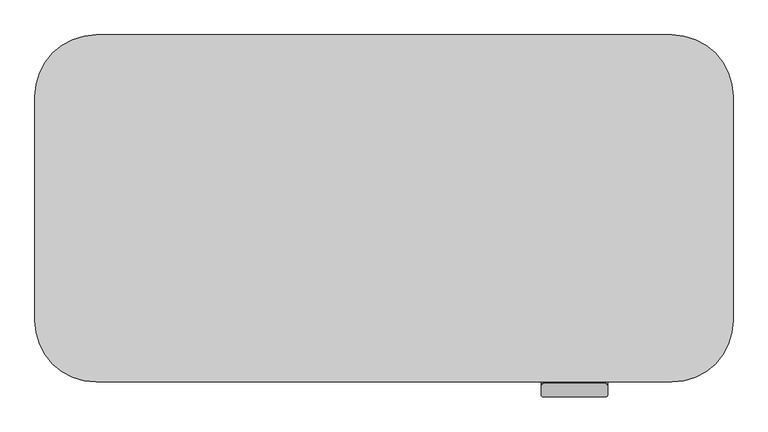
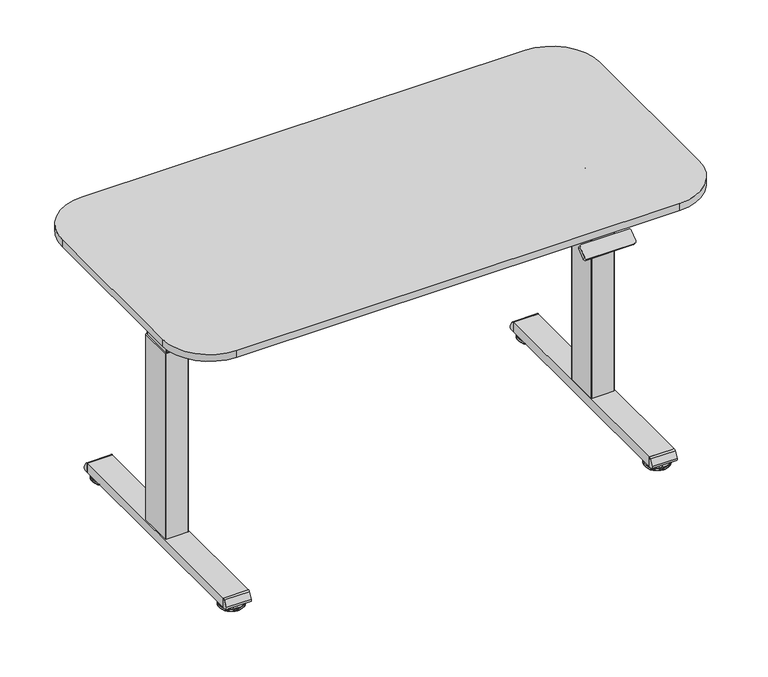
"""IFC4 building model written with IfcOpenShell, lengths in millimetres: furniture geometry."""

from ifc_helpers import new_model, si_unit, point, frame, frame_2d, origin, place, context, project, spatial, polyline, circle_curve, ellipse_curve, trimmed, segment, composite_curve, outline, extrude, source, transform, mapped, element, save
from ifc_brep_helpers import plane_surface, cylinder_surface, revolved_surface, advanced_brep


def furniture_24b252ac(model_context):
    return source(origin(), model_context, "Body", "SolidModel", [
        extrude(outline(composite_curve([segment(trimmed(circle_curve(frame_2d((1293.2886063, -390.8210557)), 3.0), [point((1296.2886063, -390.8210557))], [point((1295.1765674, -393.1524936))], False, "CARTESIAN"), True, "CONTINUOUS"), segment(polyline([(1295.1765674, -393.1524936), (1287.5867006, -399.2986465)]), True, "CONTINUOUS"), segment(trimmed(circle_curve(frame_2d((1271.8536908, -379.8699975)), 25.0), [point((1287.5867006, -399.2986465))], [point((1271.8536908, -404.8699975))], False, "CARTESIAN"), True, "CONTINUOUS"), segment(polyline([(1271.8536908, -404.8699975), (1234.3857242, -404.8699975)]), True, "CONTINUOUS"), segment(trimmed(circle_curve(frame_2d((1234.3857242, -376.3699975)), 28.5), [point((1234.3857242, -404.8699975))], [point((1216.450093, -398.5186574))], False, "CARTESIAN"), True, "CONTINUOUS"), segment(polyline([(1216.450093, -398.5186574), (1212.748443, -395.5211203)]), True, "CONTINUOUS"), segment(trimmed(circle_curve(frame_2d((1215.895045, -391.6353905)), 5.0), [point((1212.748443, -395.5211203))], [point((1210.895045, -391.6353905))], False, "CARTESIAN"), True, "CONTINUOUS"), segment(polyline([(1210.895045, -391.6353905), (1210.895045, -302.1046045)]), True, "CONTINUOUS"), segment(trimmed(circle_curve(frame_2d((1215.895045, -302.1046045)), 5.0), [point((1210.895045, -302.1046045))], [point((1212.748443, -298.2188747))], False, "CARTESIAN"), True, "CONTINUOUS"), segment(polyline([(1212.748443, -298.2188747), (1216.450093, -295.2213376)]), True, "CONTINUOUS"), segment(trimmed(circle_curve(frame_2d((1234.3857242, -317.3699975)), 28.5), [point((1216.450093, -295.2213376))], [point((1234.3857242, -288.8699975))], False, "CARTESIAN"), True, "CONTINUOUS"), segment(polyline([(1234.3857242, -288.8699975), (1271.8536908, -288.8699975)]), True, "CONTINUOUS"), segment(trimmed(circle_curve(frame_2d((1271.8536908, -313.8699975)), 25.0), [point((1271.8536908, -288.8699975))], [point((1287.5867006, -294.4413485))], False, "CARTESIAN"), True, "CONTINUOUS"), segment(polyline([(1287.5867006, -294.4413485), (1295.1765674, -300.5875014)]), True, "CONTINUOUS"), segment(trimmed(circle_curve(frame_2d((1293.2886063, -302.9189393)), 3.0), [point((1295.1765674, -300.5875014))], [point((1296.2886063, -302.9189393))], False, "CARTESIAN"), True, "CONTINUOUS"), segment(polyline([(1296.2886063, -302.9189393), (1296.2886063, -390.8210557)]), True, "CONTINUOUS")], self_intersect=False)), frame((0.0, 0.0, 673.0), z_axis=(0.0, 0.0, 1.0), x_axis=(1.0, 0.0, 0.0)), (0.0, 0.0, 1.0), 48.0),
        extrude(outline(composite_curve([segment(trimmed(circle_curve(frame_2d((1275.5, -308.8699975)), 2.0), [point((1275.5, -306.8699975))], [point((1277.5, -308.8699975))], False, "CARTESIAN"), True, "CONTINUOUS"), segment(polyline([(1277.5, -308.8699975), (1277.5, -384.8699975)]), True, "CONTINUOUS"), segment(trimmed(circle_curve(frame_2d((1275.5, -384.8699975)), 2.0), [point((1277.5, -384.8699975))], [point((1275.5, -386.8699975))], False, "CARTESIAN"), True, "CONTINUOUS"), segment(polyline([(1275.5, -386.8699975), (1229.5, -386.8699975)]), True, "CONTINUOUS"), segment(trimmed(circle_curve(frame_2d((1229.5, -384.8699975)), 2.0), [point((1229.5, -386.8699975))], [point((1227.5, -384.8699975))], False, "CARTESIAN"), True, "CONTINUOUS"), segment(polyline([(1227.5, -384.8699975), (1227.5, -308.8699975)]), True, "CONTINUOUS"), segment(trimmed(circle_curve(frame_2d((1229.5, -308.8699975)), 2.0), [point((1227.5, -308.8699975))], [point((1229.5, -306.8699975))], False, "CARTESIAN"), True, "CONTINUOUS"), segment(polyline([(1229.5, -306.8699975), (1275.5, -306.8699975)]), True, "CONTINUOUS")], self_intersect=False)), frame((0.0, 0.0, 610.7), z_axis=(0.0, 0.0, 1.0), x_axis=(1.0, 0.0, 0.0)), (0.0, 0.0, 1.0), 62.3),
        extrude(outline(composite_curve([segment(polyline([(1227.0, -304.3699975), (1278.0, -304.3699975)]), True, "CONTINUOUS"), segment(trimmed(circle_curve(frame_2d((1278.0, -306.3699975)), 2.0), [point((1278.0, -304.3699975))], [point((1280.0, -306.3699975))], False, "CARTESIAN"), True, "CONTINUOUS"), segment(polyline([(1280.0, -306.3699975), (1280.0, -387.3699975)]), True, "CONTINUOUS"), segment(trimmed(circle_curve(frame_2d((1278.0, -387.3699975)), 2.0), [point((1280.0, -387.3699975))], [point((1278.0, -389.3699975))], False, "CARTESIAN"), True, "CONTINUOUS"), segment(polyline([(1278.0, -389.3699975), (1227.0, -389.3699975)]), True, "CONTINUOUS"), segment(trimmed(circle_curve(frame_2d((1227.0, -387.3699975)), 2.0), [point((1227.0, -389.3699975))], [point((1225.0, -387.3699975))], False, "CARTESIAN"), True, "CONTINUOUS"), segment(polyline([(1225.0, -387.3699975), (1225.0, -306.3699975)]), True, "CONTINUOUS"), segment(trimmed(circle_curve(frame_2d((1227.0, -306.3699975)), 2.0), [point((1225.0, -306.3699975))], [point((1227.0, -304.3699975))], False, "CARTESIAN"), True, "CONTINUOUS")], self_intersect=False)), frame((0.0, 0.0, 548.4), z_axis=(0.0, 0.0, 1.0), x_axis=(1.0, 0.0, 0.0)), (0.0, 0.0, 1.0), 62.3),
        extrude(outline(composite_curve([segment(trimmed(circle_curve(frame_2d((-664.778217, 18.4)), 5.0), [point((-664.778217, 13.4))], [point((-669.1086086, 20.8995415))], False, "CARTESIAN"), True, "CONTINUOUS"), segment(polyline([(-669.1086086, 20.8995415), (-660.450472, 35.8995415)]), True, "CONTINUOUS"), segment(trimmed(circle_curve(frame_2d((-656.1101126, 33.3942465)), 5.0115091), [point((-660.450472, 35.8995415))], [point((-655.8699975, 38.4))], False, "CARTESIAN"), True, "CONTINUOUS"), segment(polyline([(-655.8699975, 38.4), (-655.8699975, 13.4), (-664.778217, 13.4)]), True, "CONTINUOUS")], self_intersect=False)), frame((1220.0, 0.0, 0.0), z_axis=(1.0, 0.0, 0.0), x_axis=(0.0, 1.0, 0.0)), (0.0, 0.0, 1.0), 65.0),
        extrude(outline(composite_curve([segment(polyline([(-35.961778, 13.4), (-44.8699975, 13.4), (-44.8699975, 38.4)]), True, "CONTINUOUS"), segment(trimmed(circle_curve(frame_2d((-44.6298824, 33.3942465)), 5.0115091), [point((-44.8699975, 38.4))], [point((-40.289523, 35.8995415))], False, "CARTESIAN"), True, "CONTINUOUS"), segment(polyline([(-40.289523, 35.8995415), (-31.6313864, 20.8995415)]), True, "CONTINUOUS"), segment(trimmed(circle_curve(frame_2d((-35.961778, 18.4)), 5.0), [point((-31.6313864, 20.8995415))], [point((-35.961778, 13.4))], False, "CARTESIAN"), True, "CONTINUOUS")], self_intersect=False)), frame((1220.0, 0.0, 0.0), z_axis=(1.0, 0.0, 0.0), x_axis=(0.0, 1.0, 0.0)), (0.0, 0.0, 1.0), 65.0),
        advanced_brep(
        [(1252.5, -96.3667649, 0.0), (1252.5, -65.3699975, 0.0), (1252.5, -34.3732301, 0.0), (1252.5, -97.3699975, 1.0032326), (1252.5, -33.3699975, 1.0032326), (1252.5, -97.3699975, 6.0957181), (1252.5, -33.3699975, 6.0957181), (1252.5, -96.4604539, 7.0916185), (1252.5, -34.2795411, 7.0916185), (1252.5, -74.5489569, 9.0818125), (1252.5, -56.1910381, 9.0818125), (1252.5, -72.8699975, 11.1518808), (1252.5, -57.8699975, 11.1518808), (1252.5, -72.8699975, 13.4), (1252.5, -57.8699975, 13.4), (1252.5, -65.3699975, 13.4)],
        [
            (0, 1),
            (1, 2),
            (2, 0, circle_curve(frame((1252.5, -65.3699975, 0.0), z_axis=(0.0, 0.0, -1.0), x_axis=(0.0, 1.0, 0.0)), 30.9967674)),
            (0, 2, circle_curve(frame((1252.5, -65.3699975, 0.0), z_axis=(0.0, 0.0, -1.0), x_axis=(0.0, 1.0, 0.0)), 30.9967674)),
            (3, 0, circle_curve(frame((1252.5, -96.3667649, 1.0032326), z_axis=(1.0, 0.0, 0.0), x_axis=(0.0, -1.0, 0.0)), 1.0032326)),
            (2, 4, circle_curve(frame((1252.5, -34.3732301, 1.0032326), z_axis=(1.0, 0.0, 0.0), x_axis=(0.0, 1.0, 0.0)), 1.0032326)),
            (4, 3, circle_curve(frame((1252.5, -65.3699975, 1.0032326), z_axis=(0.0, 0.0, -1.0), x_axis=(0.0, 1.0, 0.0)), 32.0)),
            (3, 4, circle_curve(frame((1252.5, -65.3699975, 1.0032326), z_axis=(0.0, 0.0, -1.0), x_axis=(0.0, 1.0, 0.0)), 32.0)),
            (5, 3),
            (4, 6),
            (6, 5, circle_curve(frame((1252.5, -65.3699975, 6.0957181), z_axis=(0.0, 0.0, -1.0), x_axis=(0.0, 1.0, 0.0)), 32.0)),
            (5, 6, circle_curve(frame((1252.5, -65.3699975, 6.0957181), z_axis=(0.0, 0.0, -1.0), x_axis=(0.0, 1.0, 0.0)), 32.0)),
            (7, 5, circle_curve(frame((1252.5, -96.3699975, 6.0957181), z_axis=(1.0, 0.0, 0.0), x_axis=(0.0, -1.0, 0.0)), 1.0)),
            (6, 8, circle_curve(frame((1252.5, -34.3699975, 6.0957181), z_axis=(1.0, 0.0, 0.0), x_axis=(0.0, 1.0, 0.0)), 1.0)),
            (8, 7, circle_curve(frame((1252.5, -65.3699975, 7.0916185), z_axis=(0.0, 0.0, -1.0), x_axis=(0.0, 1.0, 0.0)), 31.0904564)),
            (7, 8, circle_curve(frame((1252.5, -65.3699975, 7.0916185), z_axis=(0.0, 0.0, -1.0), x_axis=(0.0, 1.0, 0.0)), 31.0904564)),
            (9, 7),
            (8, 10),
            (10, 9, circle_curve(frame((1252.5, -65.3699975, 9.0818125), z_axis=(0.0, 0.0, -1.0), x_axis=(0.0, 1.0, 0.0)), 9.1789594)),
            (9, 10, circle_curve(frame((1252.5, -65.3699975, 9.0818125), z_axis=(0.0, 0.0, -1.0), x_axis=(0.0, 1.0, 0.0)), 9.1789594)),
            (11, 9),
            (10, 12),
            (12, 11, circle_curve(frame((1252.5, -65.3699975, 11.1518808), z_axis=(0.0, 0.0, -1.0), x_axis=(0.0, 1.0, 0.0)), 7.5)),
            (11, 12, circle_curve(frame((1252.5, -65.3699975, 11.1518808), z_axis=(0.0, 0.0, -1.0), x_axis=(0.0, 1.0, 0.0)), 7.5)),
            (13, 11),
            (12, 14),
            (14, 13, circle_curve(frame((1252.5, -65.3699975, 13.4), z_axis=(0.0, 0.0, -1.0), x_axis=(0.0, 1.0, 0.0)), 7.5)),
            (13, 14, circle_curve(frame((1252.5, -65.3699975, 13.4), z_axis=(0.0, 0.0, -1.0), x_axis=(0.0, 1.0, 0.0)), 7.5)),
            (15, 13),
            (14, 15),
        ],
        [
            plane_surface(frame((1252.5, -65.3699975, 0.0), z_axis=(0.0, 0.0, -1.0), x_axis=(0.0, 1.0, 0.0))),
            revolved_surface(trimmed(ellipse_curve(frame((1252.5, -34.3732301, 1.0032326), z_axis=(1.0, 0.0, 0.0), x_axis=(0.0, 1.0, 0.0)), 1.0032326, 1.0032326), [point((1252.5, -34.3732301, 0.0))], [point((1252.5, -33.3699975, 1.0032326))], True, "CARTESIAN"), (1252.5, -65.3699975, -3.1515802), (0.0, 0.0, 1.0)),
            cylinder_surface(frame((1252.5, -65.3699975, -3.1515802), z_axis=(0.0, 0.0, 1.0), x_axis=(0.0, 1.0, 0.0)), 32.0),
            revolved_surface(trimmed(ellipse_curve(frame((1252.5, -34.3699975, 6.0957181), z_axis=(1.0, 0.0, 0.0), x_axis=(0.0, 1.0, 0.0)), 1.0, 1.0), [point((1252.5, -33.3699975, 6.0957181))], [point((1252.5, -34.2795411, 7.0916185))], True, "CARTESIAN"), (1252.5, -65.3699975, -3.1515802), (0.0, 0.0, 1.0)),
            revolved_surface(polyline([(1252.5, -34.2795411, 7.0916185), (1252.5, -56.1910381, 9.0818125)]), (1252.5, -65.3699975, -3.1515802), (0.0, 0.0, 1.0)),
            revolved_surface(polyline([(1252.5, -56.1910381, 9.0818125), (1252.5, -57.8699975, 11.1518808)]), (1252.5, -65.3699975, -3.1515802), (0.0, 0.0, 1.0)),
            cylinder_surface(frame((1252.5, -65.3699975, -3.1515802), z_axis=(0.0, 0.0, 1.0), x_axis=(0.0, 1.0, 0.0)), 7.5),
            plane_surface(frame((1252.5, -65.3699975, 13.4), z_axis=(0.0, 0.0, 1.0), x_axis=(0.0, 1.0, 0.0))),
        ],
        [
            (0, [[1, 2, 3]]),
            (0, [[-2, -1, 4]]),
            (1, [[5, -3, 6, 7]]),
            (1, [[-6, -4, -5, 8]]),
            (2, [[9, -7, 10, 11]]),
            (2, [[-10, -8, -9, 12]]),
            (3, [[13, -11, 14, 15]]),
            (3, [[-14, -12, -13, 16]]),
            (4, [[17, -15, 18, 19]]),
            (4, [[-18, -16, -17, 20]]),
            (5, [[21, -19, 22, 23]]),
            (5, [[-22, -20, -21, 24]]),
            (6, [[25, -23, 26, 27]]),
            (6, [[-26, -24, -25, 28]]),
            (7, [[29, -27, 30]]),
            (7, [[-30, -28, -29]]),
        ],
    ),
        advanced_brep(
        [(1252.5, -627.8699975, 13.4), (1252.5, -635.3699975, 13.4), (1252.5, -642.8699975, 13.4), (1252.5, -627.8699975, 11.1518808), (1252.5, -642.8699975, 11.1518808), (1252.5, -626.1910381, 9.0818125), (1252.5, -644.5489569, 9.0818125), (1252.5, -604.2795411, 7.0916185), (1252.5, -666.4604539, 7.0916185), (1252.5, -603.3699975, 6.0957181), (1252.5, -667.3699975, 6.0957181), (1252.5, -603.3699975, 1.0032326), (1252.5, -667.3699975, 1.0032326), (1252.5, -604.3732301, 0.0), (1252.5, -666.3667649, 0.0), (1252.5, -635.3699975, 0.0)],
        [
            (0, 1),
            (1, 2),
            (2, 0, circle_curve(frame((1252.5, -635.3699975, 13.4), z_axis=(0.0, 0.0, 1.0), x_axis=(0.0, -1.0, 0.0)), 7.5)),
            (0, 2, circle_curve(frame((1252.5, -635.3699975, 13.4), z_axis=(0.0, 0.0, 1.0), x_axis=(0.0, -1.0, 0.0)), 7.5)),
            (3, 0),
            (2, 4),
            (4, 3, circle_curve(frame((1252.5, -635.3699975, 11.1518808), z_axis=(0.0, 0.0, 1.0), x_axis=(0.0, -1.0, 0.0)), 7.5)),
            (3, 4, circle_curve(frame((1252.5, -635.3699975, 11.1518808), z_axis=(0.0, 0.0, 1.0), x_axis=(0.0, -1.0, 0.0)), 7.5)),
            (5, 3),
            (4, 6),
            (6, 5, circle_curve(frame((1252.5, -635.3699975, 9.0818125), z_axis=(0.0, 0.0, 1.0), x_axis=(0.0, -1.0, 0.0)), 9.1789594)),
            (5, 6, circle_curve(frame((1252.5, -635.3699975, 9.0818125), z_axis=(0.0, 0.0, 1.0), x_axis=(0.0, -1.0, 0.0)), 9.1789594)),
            (7, 5),
            (6, 8),
            (8, 7, circle_curve(frame((1252.5, -635.3699975, 7.0916185), z_axis=(0.0, 0.0, 1.0), x_axis=(0.0, -1.0, 0.0)), 31.0904564)),
            (7, 8, circle_curve(frame((1252.5, -635.3699975, 7.0916185), z_axis=(0.0, 0.0, 1.0), x_axis=(0.0, -1.0, 0.0)), 31.0904564)),
            (9, 7, circle_curve(frame((1252.5, -604.3699975, 6.0957181), z_axis=(1.0, 0.0, 0.0), x_axis=(0.0, -1.0, 0.0)), 1.0)),
            (8, 10, circle_curve(frame((1252.5, -666.3699975, 6.0957181), z_axis=(1.0, 0.0, 0.0), x_axis=(0.0, 1.0, 0.0)), 1.0)),
            (10, 9, circle_curve(frame((1252.5, -635.3699975, 6.0957181), z_axis=(0.0, 0.0, 1.0), x_axis=(0.0, -1.0, 0.0)), 32.0)),
            (9, 10, circle_curve(frame((1252.5, -635.3699975, 6.0957181), z_axis=(0.0, 0.0, 1.0), x_axis=(0.0, -1.0, 0.0)), 32.0)),
            (11, 9),
            (10, 12),
            (12, 11, circle_curve(frame((1252.5, -635.3699975, 1.0032326), z_axis=(0.0, 0.0, 1.0), x_axis=(0.0, -1.0, 0.0)), 32.0)),
            (11, 12, circle_curve(frame((1252.5, -635.3699975, 1.0032326), z_axis=(0.0, 0.0, 1.0), x_axis=(0.0, -1.0, 0.0)), 32.0)),
            (13, 11, circle_curve(frame((1252.5, -604.3732301, 1.0032326), z_axis=(1.0, 0.0, 0.0), x_axis=(0.0, -1.0, 0.0)), 1.0032326)),
            (12, 14, circle_curve(frame((1252.5, -666.3667649, 1.0032326), z_axis=(1.0, 0.0, 0.0), x_axis=(0.0, 1.0, 0.0)), 1.0032326)),
            (14, 13, circle_curve(frame((1252.5, -635.3699975, 0.0), z_axis=(0.0, 0.0, 1.0), x_axis=(0.0, -1.0, 0.0)), 30.9967674)),
            (13, 14, circle_curve(frame((1252.5, -635.3699975, 0.0), z_axis=(0.0, 0.0, 1.0), x_axis=(0.0, -1.0, 0.0)), 30.9967674)),
            (15, 13),
            (14, 15),
        ],
        [
            plane_surface(frame((1252.5, -635.3699975, 13.4), z_axis=(0.0, 0.0, 1.0), x_axis=(0.0, -1.0, 0.0))),
            cylinder_surface(frame((1252.5, -635.3699975, -3.1515802), z_axis=(0.0, 0.0, -1.0), x_axis=(0.0, -1.0, 0.0)), 7.5),
            revolved_surface(polyline([(1252.5, -642.8699975, 11.1518808), (1252.5, -644.5489569, 9.0818125)]), (1252.5, -635.3699975, -3.1515802), (0.0, 0.0, -1.0)),
            revolved_surface(polyline([(1252.5, -644.5489569, 9.0818125), (1252.5, -666.4604539, 7.0916185)]), (1252.5, -635.3699975, -3.1515802), (0.0, 0.0, -1.0)),
            revolved_surface(trimmed(ellipse_curve(frame((1252.5, -666.3699975, 6.0957181), z_axis=(1.0, 0.0, 0.0), x_axis=(0.0, 1.0, 0.0)), 1.0, 1.0), [point((1252.5, -666.4604539, 7.0916185))], [point((1252.5, -667.3699975, 6.0957181))], True, "CARTESIAN"), (1252.5, -635.3699975, -3.1515802), (0.0, 0.0, -1.0)),
            cylinder_surface(frame((1252.5, -635.3699975, -3.1515802), z_axis=(0.0, 0.0, -1.0), x_axis=(0.0, -1.0, 0.0)), 32.0),
            revolved_surface(trimmed(ellipse_curve(frame((1252.5, -666.3667649, 1.0032326), z_axis=(1.0, 0.0, 0.0), x_axis=(0.0, 1.0, 0.0)), 1.0032326, 1.0032326), [point((1252.5, -667.3699975, 1.0032326))], [point((1252.5, -666.3667649, 0.0))], True, "CARTESIAN"), (1252.5, -635.3699975, -3.1515802), (0.0, 0.0, -1.0)),
            plane_surface(frame((1252.5, -635.3699975, 0.0), z_axis=(0.0, 0.0, -1.0), x_axis=(0.0, -1.0, 0.0))),
        ],
        [
            (0, [[1, 2, 3]]),
            (0, [[-2, -1, 4]]),
            (1, [[5, -3, 6, 7]]),
            (1, [[-6, -4, -5, 8]]),
            (2, [[9, -7, 10, 11]]),
            (2, [[-10, -8, -9, 12]]),
            (3, [[13, -11, 14, 15]]),
            (3, [[-14, -12, -13, 16]]),
            (4, [[17, -15, 18, 19]]),
            (4, [[-18, -16, -17, 20]]),
            (5, [[21, -19, 22, 23]]),
            (5, [[-22, -20, -21, 24]]),
            (6, [[25, -23, 26, 27]]),
            (6, [[-26, -24, -25, 28]]),
            (7, [[29, -27, 30]]),
            (7, [[-30, -28, -29]]),
        ],
    ),
        extrude(outline(composite_curve([segment(trimmed(circle_curve(frame_2d((1280.5000039, -303.8699975)), 2.0), [point((1280.5000039, -301.8699975))], [point((1282.5000039, -303.8699975))], False, "CARTESIAN"), True, "CONTINUOUS"), segment(polyline([(1282.5000039, -303.8699975), (1282.5000039, -389.8699975)]), True, "CONTINUOUS"), segment(trimmed(circle_curve(frame_2d((1280.5000039, -389.8699975)), 2.0), [point((1282.5000039, -389.8699975))], [point((1280.5000039, -391.8699975))], False, "CARTESIAN"), True, "CONTINUOUS"), segment(polyline([(1280.5000039, -391.8699975), (1224.4999961, -391.8699975)]), True, "CONTINUOUS"), segment(trimmed(circle_curve(frame_2d((1224.4999961, -389.8699975)), 2.0), [point((1224.4999961, -391.8699975))], [point((1222.4999961, -389.8699975))], False, "CARTESIAN"), True, "CONTINUOUS"), segment(polyline([(1222.4999961, -389.8699975), (1222.4999961, -303.8699975)]), True, "CONTINUOUS"), segment(trimmed(circle_curve(frame_2d((1224.4999961, -303.8699975)), 2.0), [point((1222.4999961, -303.8699975))], [point((1224.4999961, -301.8699975))], False, "CARTESIAN"), True, "CONTINUOUS"), segment(polyline([(1224.4999961, -301.8699975), (1280.5000039, -301.8699975)]), True, "CONTINUOUS")], self_intersect=False)), frame((0.0, 0.0, 38.4), z_axis=(0.0, 0.0, 1.0), x_axis=(1.0, 0.0, 0.0)), (0.0, 0.0, 1.0), 510.0),
        extrude(outline(polyline([(1220.0, -655.8699975), (1220.0, -44.8699975), (1285.0, -44.8699975), (1285.0, -655.8699975), (1220.0, -655.8699975)])), frame((0.0, 0.0, 13.4), z_axis=(0.0, 0.0, 1.0), x_axis=(1.0, 0.0, 0.0)), (0.0, 0.0, 1.0), 25.0),
        extrude(outline(composite_curve([segment(polyline([(103.7113937, -390.8210557), (103.7113937, -302.9189393)]), True, "CONTINUOUS"), segment(trimmed(circle_curve(frame_2d((106.7113937, -302.9189393)), 3.0), [point((103.7113937, -302.9189393))], [point((104.8234326, -300.5875014))], False, "CARTESIAN"), True, "CONTINUOUS"), segment(polyline([(104.8234326, -300.5875014), (112.4132994, -294.4413485)]), True, "CONTINUOUS"), segment(trimmed(circle_curve(frame_2d((128.1463092, -313.8699975)), 25.0), [point((112.4132994, -294.4413485))], [point((128.1463092, -288.8699975))], False, "CARTESIAN"), True, "CONTINUOUS"), segment(polyline([(128.1463092, -288.8699975), (165.6142758, -288.8699975)]), True, "CONTINUOUS"), segment(trimmed(circle_curve(frame_2d((165.6142758, -317.3699975)), 28.5), [point((165.6142758, -288.8699975))], [point((183.549907, -295.2213376))], False, "CARTESIAN"), True, "CONTINUOUS"), segment(polyline([(183.549907, -295.2213376), (187.251557, -298.2188747)]), True, "CONTINUOUS"), segment(trimmed(circle_curve(frame_2d((184.104955, -302.1046045)), 5.0), [point((187.251557, -298.2188747))], [point((189.104955, -302.1046045))], False, "CARTESIAN"), True, "CONTINUOUS"), segment(polyline([(189.104955, -302.1046045), (189.104955, -391.6353905)]), True, "CONTINUOUS"), segment(trimmed(circle_curve(frame_2d((184.104955, -391.6353905)), 5.0), [point((189.104955, -391.6353905))], [point((187.251557, -395.5211203))], False, "CARTESIAN"), True, "CONTINUOUS"), segment(polyline([(187.251557, -395.5211203), (183.549907, -398.5186574)]), True, "CONTINUOUS"), segment(trimmed(circle_curve(frame_2d((165.6142758, -376.3699975)), 28.5), [point((183.549907, -398.5186574))], [point((165.6142758, -404.8699975))], False, "CARTESIAN"), True, "CONTINUOUS"), segment(polyline([(165.6142758, -404.8699975), (128.1463092, -404.8699975)]), True, "CONTINUOUS"), segment(trimmed(circle_curve(frame_2d((128.1463092, -379.8699975)), 25.0), [point((128.1463092, -404.8699975))], [point((112.4132994, -399.2986465))], False, "CARTESIAN"), True, "CONTINUOUS"), segment(polyline([(112.4132994, -399.2986465), (104.8234326, -393.1524936)]), True, "CONTINUOUS"), segment(trimmed(circle_curve(frame_2d((106.7113937, -390.8210557)), 3.0), [point((104.8234326, -393.1524936))], [point((103.7113937, -390.8210557))], False, "CARTESIAN"), True, "CONTINUOUS")], self_intersect=False)), frame((0.0, 0.0, 673.0), z_axis=(0.0, 0.0, 1.0), x_axis=(1.0, 0.0, 0.0)), (0.0, 0.0, 1.0), 48.0),
        extrude(outline(composite_curve([segment(polyline([(124.5, -306.8699975), (170.5, -306.8699975)]), True, "CONTINUOUS"), segment(trimmed(circle_curve(frame_2d((170.5, -308.8699975)), 2.0), [point((170.5, -306.8699975))], [point((172.5, -308.8699975))], False, "CARTESIAN"), True, "CONTINUOUS"), segment(polyline([(172.5, -308.8699975), (172.5, -384.8699975)]), True, "CONTINUOUS"), segment(trimmed(circle_curve(frame_2d((170.5, -384.8699975)), 2.0), [point((172.5, -384.8699975))], [point((170.5, -386.8699975))], False, "CARTESIAN"), True, "CONTINUOUS"), segment(polyline([(170.5, -386.8699975), (124.5, -386.8699975)]), True, "CONTINUOUS"), segment(trimmed(circle_curve(frame_2d((124.5, -384.8699975)), 2.0), [point((124.5, -386.8699975))], [point((122.5, -384.8699975))], False, "CARTESIAN"), True, "CONTINUOUS"), segment(polyline([(122.5, -384.8699975), (122.5, -308.8699975)]), True, "CONTINUOUS"), segment(trimmed(circle_curve(frame_2d((124.5, -308.8699975)), 2.0), [point((122.5, -308.8699975))], [point((124.5, -306.8699975))], False, "CARTESIAN"), True, "CONTINUOUS")], self_intersect=False)), frame((0.0, 0.0, 610.7), z_axis=(0.0, 0.0, 1.0), x_axis=(1.0, 0.0, 0.0)), (0.0, 0.0, 1.0), 62.3),
        extrude(outline(composite_curve([segment(trimmed(circle_curve(frame_2d((173.0, -306.3699975)), 2.0), [point((173.0, -304.3699975))], [point((175.0, -306.3699975))], False, "CARTESIAN"), True, "CONTINUOUS"), segment(polyline([(175.0, -306.3699975), (175.0, -387.3699975)]), True, "CONTINUOUS"), segment(trimmed(circle_curve(frame_2d((173.0, -387.3699975)), 2.0), [point((175.0, -387.3699975))], [point((173.0, -389.3699975))], False, "CARTESIAN"), True, "CONTINUOUS"), segment(polyline([(173.0, -389.3699975), (122.0, -389.3699975)]), True, "CONTINUOUS"), segment(trimmed(circle_curve(frame_2d((122.0, -387.3699975)), 2.0), [point((122.0, -389.3699975))], [point((120.0, -387.3699975))], False, "CARTESIAN"), True, "CONTINUOUS"), segment(polyline([(120.0, -387.3699975), (120.0, -306.3699975)]), True, "CONTINUOUS"), segment(trimmed(circle_curve(frame_2d((122.0, -306.3699975)), 2.0), [point((120.0, -306.3699975))], [point((122.0, -304.3699975))], False, "CARTESIAN"), True, "CONTINUOUS"), segment(polyline([(122.0, -304.3699975), (173.0, -304.3699975)]), True, "CONTINUOUS")], self_intersect=False)), frame((0.0, 0.0, 548.4), z_axis=(0.0, 0.0, 1.0), x_axis=(1.0, 0.0, 0.0)), (0.0, 0.0, 1.0), 62.3),
        extrude(outline(composite_curve([segment(trimmed(circle_curve(frame_2d((-664.778217, 18.4)), 5.0), [point((-664.778217, 13.4))], [point((-669.1086086, 20.8995415))], False, "CARTESIAN"), True, "CONTINUOUS"), segment(polyline([(-669.1086086, 20.8995415), (-660.450472, 35.8995415)]), True, "CONTINUOUS"), segment(trimmed(circle_curve(frame_2d((-656.1101126, 33.3942465)), 5.0115091), [point((-660.450472, 35.8995415))], [point((-655.8699975, 38.4))], False, "CARTESIAN"), True, "CONTINUOUS"), segment(polyline([(-655.8699975, 38.4), (-655.8699975, 13.4), (-664.778217, 13.4)]), True, "CONTINUOUS")], self_intersect=False)), frame((115.0, 0.0, 0.0), z_axis=(1.0, 0.0, 0.0), x_axis=(0.0, 1.0, 0.0)), (0.0, 0.0, 1.0), 65.0),
        extrude(outline(composite_curve([segment(polyline([(-35.961778, 13.4), (-44.8699975, 13.4), (-44.8699975, 38.4)]), True, "CONTINUOUS"), segment(trimmed(circle_curve(frame_2d((-44.6298824, 33.3942465)), 5.0115091), [point((-44.8699975, 38.4))], [point((-40.289523, 35.8995415))], False, "CARTESIAN"), True, "CONTINUOUS"), segment(polyline([(-40.289523, 35.8995415), (-31.6313864, 20.8995415)]), True, "CONTINUOUS"), segment(trimmed(circle_curve(frame_2d((-35.961778, 18.4)), 5.0), [point((-31.6313864, 20.8995415))], [point((-35.961778, 13.4))], False, "CARTESIAN"), True, "CONTINUOUS")], self_intersect=False)), frame((115.0, 0.0, 0.0), z_axis=(1.0, 0.0, 0.0), x_axis=(0.0, 1.0, 0.0)), (0.0, 0.0, 1.0), 65.0),
        advanced_brep(
        [(147.5, -96.3667649, 0.0), (147.5, -34.3732301, 0.0), (147.5, -65.3699975, 0.0), (147.5, -97.3699975, 1.0032326), (147.5, -33.3699975, 1.0032326), (147.5, -97.3699975, 6.0957181), (147.5, -33.3699975, 6.0957181), (147.5, -96.4604539, 7.0916185), (147.5, -34.2795411, 7.0916185), (147.5, -74.5489569, 9.0818125), (147.5, -56.1910381, 9.0818125), (147.5, -72.8699975, 11.1518808), (147.5, -57.8699975, 11.1518808), (147.5, -72.8699975, 13.4), (147.5, -57.8699975, 13.4), (147.5, -65.3699975, 13.4)],
        [
            (0, 1, circle_curve(frame((147.5, -65.3699975, 0.0), z_axis=(0.0, 0.0, -1.0), x_axis=(0.0, 1.0, 0.0)), 30.9967674)),
            (1, 2),
            (2, 0),
            (1, 0, circle_curve(frame((147.5, -65.3699975, 0.0), z_axis=(0.0, 0.0, -1.0), x_axis=(0.0, 1.0, 0.0)), 30.9967674)),
            (3, 4, circle_curve(frame((147.5, -65.3699975, 1.0032326), z_axis=(0.0, 0.0, -1.0), x_axis=(0.0, 1.0, 0.0)), 32.0)),
            (4, 1, circle_curve(frame((147.5, -34.3732301, 1.0032326), z_axis=(-1.0, 0.0, 0.0), x_axis=(0.0, 1.0, 0.0)), 1.0032326)),
            (0, 3, circle_curve(frame((147.5, -96.3667649, 1.0032326), z_axis=(-1.0, 0.0, 0.0), x_axis=(0.0, -1.0, 0.0)), 1.0032326)),
            (4, 3, circle_curve(frame((147.5, -65.3699975, 1.0032326), z_axis=(0.0, 0.0, -1.0), x_axis=(0.0, 1.0, 0.0)), 32.0)),
            (5, 6, circle_curve(frame((147.5, -65.3699975, 6.0957181), z_axis=(0.0, 0.0, -1.0), x_axis=(0.0, 1.0, 0.0)), 32.0)),
            (6, 4),
            (3, 5),
            (6, 5, circle_curve(frame((147.5, -65.3699975, 6.0957181), z_axis=(0.0, 0.0, -1.0), x_axis=(0.0, 1.0, 0.0)), 32.0)),
            (7, 8, circle_curve(frame((147.5, -65.3699975, 7.0916185), z_axis=(0.0, 0.0, -1.0), x_axis=(0.0, 1.0, 0.0)), 31.0904564)),
            (8, 6, circle_curve(frame((147.5, -34.3699975, 6.0957181), z_axis=(-1.0, 0.0, 0.0), x_axis=(0.0, 1.0, 0.0)), 1.0)),
            (5, 7, circle_curve(frame((147.5, -96.3699975, 6.0957181), z_axis=(-1.0, 0.0, 0.0), x_axis=(0.0, -1.0, 0.0)), 1.0)),
            (8, 7, circle_curve(frame((147.5, -65.3699975, 7.0916185), z_axis=(0.0, 0.0, -1.0), x_axis=(0.0, 1.0, 0.0)), 31.0904564)),
            (9, 10, circle_curve(frame((147.5, -65.3699975, 9.0818125), z_axis=(0.0, 0.0, -1.0), x_axis=(0.0, 1.0, 0.0)), 9.1789594)),
            (10, 8),
            (7, 9),
            (10, 9, circle_curve(frame((147.5, -65.3699975, 9.0818125), z_axis=(0.0, 0.0, -1.0), x_axis=(0.0, 1.0, 0.0)), 9.1789594)),
            (11, 12, circle_curve(frame((147.5, -65.3699975, 11.1518808), z_axis=(0.0, 0.0, -1.0), x_axis=(0.0, 1.0, 0.0)), 7.5)),
            (12, 10),
            (9, 11),
            (12, 11, circle_curve(frame((147.5, -65.3699975, 11.1518808), z_axis=(0.0, 0.0, -1.0), x_axis=(0.0, 1.0, 0.0)), 7.5)),
            (13, 14, circle_curve(frame((147.5, -65.3699975, 13.4), z_axis=(0.0, 0.0, -1.0), x_axis=(0.0, 1.0, 0.0)), 7.5)),
            (14, 12),
            (11, 13),
            (14, 13, circle_curve(frame((147.5, -65.3699975, 13.4), z_axis=(0.0, 0.0, -1.0), x_axis=(0.0, 1.0, 0.0)), 7.5)),
            (15, 14),
            (13, 15),
        ],
        [
            plane_surface(frame((147.5, -65.3699975, 0.0), z_axis=(0.0, 0.0, -1.0), x_axis=(0.0, 1.0, 0.0))),
            revolved_surface(trimmed(ellipse_curve(frame((147.5, -34.3732301, 1.0032326), z_axis=(1.0, 0.0, 0.0), x_axis=(0.0, 1.0, 0.0)), 1.0032326, 1.0032326), [point((147.5, -34.3732301, 0.0))], [point((147.5, -33.3699975, 1.0032326))], True, "CARTESIAN"), (147.5, -65.3699975, -3.1515802), (0.0, 0.0, 1.0)),
            cylinder_surface(frame((147.5, -65.3699975, -3.1515802), z_axis=(0.0, 0.0, 1.0), x_axis=(0.0, 1.0, 0.0)), 32.0),
            revolved_surface(trimmed(ellipse_curve(frame((147.5, -34.3699975, 6.0957181), z_axis=(1.0, 0.0, 0.0), x_axis=(0.0, 1.0, 0.0)), 1.0, 1.0), [point((147.5, -33.3699975, 6.0957181))], [point((147.5, -34.2795411, 7.0916185))], True, "CARTESIAN"), (147.5, -65.3699975, -3.1515802), (0.0, 0.0, 1.0)),
            revolved_surface(polyline([(147.5, -34.2795411, 7.0916185), (147.5, -56.1910381, 9.0818125)]), (147.5, -65.3699975, -3.1515802), (0.0, 0.0, 1.0)),
            revolved_surface(polyline([(147.5, -56.1910381, 9.0818125), (147.5, -57.8699975, 11.1518808)]), (147.5, -65.3699975, -3.1515802), (0.0, 0.0, 1.0)),
            cylinder_surface(frame((147.5, -65.3699975, -3.1515802), z_axis=(0.0, 0.0, 1.0), x_axis=(0.0, 1.0, 0.0)), 7.5),
            plane_surface(frame((147.5, -65.3699975, 13.4), z_axis=(0.0, 0.0, 1.0), x_axis=(0.0, 1.0, 0.0))),
        ],
        [
            (0, [[1, 2, 3]]),
            (0, [[4, -3, -2]]),
            (1, [[5, 6, -1, 7]]),
            (1, [[8, -7, -4, -6]]),
            (2, [[9, 10, -5, 11]]),
            (2, [[12, -11, -8, -10]]),
            (3, [[13, 14, -9, 15]]),
            (3, [[16, -15, -12, -14]]),
            (4, [[17, 18, -13, 19]]),
            (4, [[20, -19, -16, -18]]),
            (5, [[21, 22, -17, 23]]),
            (5, [[24, -23, -20, -22]]),
            (6, [[25, 26, -21, 27]]),
            (6, [[28, -27, -24, -26]]),
            (7, [[29, -25, 30]]),
            (7, [[-30, -28, -29]]),
        ],
    ),
        advanced_brep(
        [(147.5, -627.8699975, 13.4), (147.5, -642.8699975, 13.4), (147.5, -635.3699975, 13.4), (147.5, -627.8699975, 11.1518808), (147.5, -642.8699975, 11.1518808), (147.5, -626.1910381, 9.0818125), (147.5, -644.5489569, 9.0818125), (147.5, -604.2795411, 7.0916185), (147.5, -666.4604539, 7.0916185), (147.5, -603.3699975, 6.0957181), (147.5, -667.3699975, 6.0957181), (147.5, -603.3699975, 1.0032326), (147.5, -667.3699975, 1.0032326), (147.5, -604.3732301, 0.0), (147.5, -666.3667649, 0.0), (147.5, -635.3699975, 0.0)],
        [
            (0, 1, circle_curve(frame((147.5, -635.3699975, 13.4), z_axis=(0.0, 0.0, 1.0), x_axis=(0.0, -1.0, 0.0)), 7.5)),
            (1, 2),
            (2, 0),
            (1, 0, circle_curve(frame((147.5, -635.3699975, 13.4), z_axis=(0.0, 0.0, 1.0), x_axis=(0.0, -1.0, 0.0)), 7.5)),
            (3, 4, circle_curve(frame((147.5, -635.3699975, 11.1518808), z_axis=(0.0, 0.0, 1.0), x_axis=(0.0, -1.0, 0.0)), 7.5)),
            (4, 1),
            (0, 3),
            (4, 3, circle_curve(frame((147.5, -635.3699975, 11.1518808), z_axis=(0.0, 0.0, 1.0), x_axis=(0.0, -1.0, 0.0)), 7.5)),
            (5, 6, circle_curve(frame((147.5, -635.3699975, 9.0818125), z_axis=(0.0, 0.0, 1.0), x_axis=(0.0, -1.0, 0.0)), 9.1789594)),
            (6, 4),
            (3, 5),
            (6, 5, circle_curve(frame((147.5, -635.3699975, 9.0818125), z_axis=(0.0, 0.0, 1.0), x_axis=(0.0, -1.0, 0.0)), 9.1789594)),
            (7, 8, circle_curve(frame((147.5, -635.3699975, 7.0916185), z_axis=(0.0, 0.0, 1.0), x_axis=(0.0, -1.0, 0.0)), 31.0904564)),
            (8, 6),
            (5, 7),
            (8, 7, circle_curve(frame((147.5, -635.3699975, 7.0916185), z_axis=(0.0, 0.0, 1.0), x_axis=(0.0, -1.0, 0.0)), 31.0904564)),
            (9, 10, circle_curve(frame((147.5, -635.3699975, 6.0957181), z_axis=(0.0, 0.0, 1.0), x_axis=(0.0, -1.0, 0.0)), 32.0)),
            (10, 8, circle_curve(frame((147.5, -666.3699975, 6.0957181), z_axis=(-1.0, 0.0, 0.0), x_axis=(0.0, 1.0, 0.0)), 1.0)),
            (7, 9, circle_curve(frame((147.5, -604.3699975, 6.0957181), z_axis=(-1.0, 0.0, 0.0), x_axis=(0.0, -1.0, 0.0)), 1.0)),
            (10, 9, circle_curve(frame((147.5, -635.3699975, 6.0957181), z_axis=(0.0, 0.0, 1.0), x_axis=(0.0, -1.0, 0.0)), 32.0)),
            (11, 12, circle_curve(frame((147.5, -635.3699975, 1.0032326), z_axis=(0.0, 0.0, 1.0), x_axis=(0.0, -1.0, 0.0)), 32.0)),
            (12, 10),
            (9, 11),
            (12, 11, circle_curve(frame((147.5, -635.3699975, 1.0032326), z_axis=(0.0, 0.0, 1.0), x_axis=(0.0, -1.0, 0.0)), 32.0)),
            (13, 14, circle_curve(frame((147.5, -635.3699975, 0.0), z_axis=(0.0, 0.0, 1.0), x_axis=(0.0, -1.0, 0.0)), 30.9967674)),
            (14, 12, circle_curve(frame((147.5, -666.3667649, 1.0032326), z_axis=(-1.0, 0.0, 0.0), x_axis=(0.0, 1.0, 0.0)), 1.0032326)),
            (11, 13, circle_curve(frame((147.5, -604.3732301, 1.0032326), z_axis=(-1.0, 0.0, 0.0), x_axis=(0.0, -1.0, 0.0)), 1.0032326)),
            (14, 13, circle_curve(frame((147.5, -635.3699975, 0.0), z_axis=(0.0, 0.0, 1.0), x_axis=(0.0, -1.0, 0.0)), 30.9967674)),
            (15, 14),
            (13, 15),
        ],
        [
            plane_surface(frame((147.5, -635.3699975, 13.4), z_axis=(0.0, 0.0, 1.0), x_axis=(0.0, -1.0, 0.0))),
            cylinder_surface(frame((147.5, -635.3699975, -3.1515802), z_axis=(0.0, 0.0, -1.0), x_axis=(0.0, -1.0, 0.0)), 7.5),
            revolved_surface(polyline([(147.5, -642.8699975, 11.1518808), (147.5, -644.5489569, 9.0818125)]), (147.5, -635.3699975, -3.1515802), (0.0, 0.0, -1.0)),
            revolved_surface(polyline([(147.5, -644.5489569, 9.0818125), (147.5, -666.4604539, 7.0916185)]), (147.5, -635.3699975, -3.1515802), (0.0, 0.0, -1.0)),
            revolved_surface(trimmed(ellipse_curve(frame((147.5, -666.3699975, 6.0957181), z_axis=(1.0, 0.0, 0.0), x_axis=(0.0, 1.0, 0.0)), 1.0, 1.0), [point((147.5, -666.4604539, 7.0916185))], [point((147.5, -667.3699975, 6.0957181))], True, "CARTESIAN"), (147.5, -635.3699975, -3.1515802), (0.0, 0.0, -1.0)),
            cylinder_surface(frame((147.5, -635.3699975, -3.1515802), z_axis=(0.0, 0.0, -1.0), x_axis=(0.0, -1.0, 0.0)), 32.0),
            revolved_surface(trimmed(ellipse_curve(frame((147.5, -666.3667649, 1.0032326), z_axis=(1.0, 0.0, 0.0), x_axis=(0.0, 1.0, 0.0)), 1.0032326, 1.0032326), [point((147.5, -667.3699975, 1.0032326))], [point((147.5, -666.3667649, 0.0))], True, "CARTESIAN"), (147.5, -635.3699975, -3.1515802), (0.0, 0.0, -1.0)),
            plane_surface(frame((147.5, -635.3699975, 0.0), z_axis=(0.0, 0.0, -1.0), x_axis=(0.0, -1.0, 0.0))),
        ],
        [
            (0, [[1, 2, 3]]),
            (0, [[4, -3, -2]]),
            (1, [[5, 6, -1, 7]]),
            (1, [[8, -7, -4, -6]]),
            (2, [[9, 10, -5, 11]]),
            (2, [[12, -11, -8, -10]]),
            (3, [[13, 14, -9, 15]]),
            (3, [[16, -15, -12, -14]]),
            (4, [[17, 18, -13, 19]]),
            (4, [[20, -19, -16, -18]]),
            (5, [[21, 22, -17, 23]]),
            (5, [[24, -23, -20, -22]]),
            (6, [[25, 26, -21, 27]]),
            (6, [[28, -27, -24, -26]]),
            (7, [[29, -25, 30]]),
            (7, [[-30, -28, -29]]),
        ],
    ),
        extrude(outline(composite_curve([segment(polyline([(119.4999961, -301.8699975), (175.5000039, -301.8699975)]), True, "CONTINUOUS"), segment(trimmed(circle_curve(frame_2d((175.5000039, -303.8699975)), 2.0), [point((175.5000039, -301.8699975))], [point((177.5000039, -303.8699975))], False, "CARTESIAN"), True, "CONTINUOUS"), segment(polyline([(177.5000039, -303.8699975), (177.5000039, -389.8699975)]), True, "CONTINUOUS"), segment(trimmed(circle_curve(frame_2d((175.5000039, -389.8699975)), 2.0), [point((177.5000039, -389.8699975))], [point((175.5000039, -391.8699975))], False, "CARTESIAN"), True, "CONTINUOUS"), segment(polyline([(175.5000039, -391.8699975), (119.4999961, -391.8699975)]), True, "CONTINUOUS"), segment(trimmed(circle_curve(frame_2d((119.4999961, -389.8699975)), 2.0), [point((119.4999961, -391.8699975))], [point((117.4999961, -389.8699975))], False, "CARTESIAN"), True, "CONTINUOUS"), segment(polyline([(117.4999961, -389.8699975), (117.4999961, -303.8699975)]), True, "CONTINUOUS"), segment(trimmed(circle_curve(frame_2d((119.4999961, -303.8699975)), 2.0), [point((117.4999961, -303.8699975))], [point((119.4999961, -301.8699975))], False, "CARTESIAN"), True, "CONTINUOUS")], self_intersect=False)), frame((0.0, 0.0, 38.4), z_axis=(0.0, 0.0, 1.0), x_axis=(1.0, 0.0, 0.0)), (0.0, 0.0, 1.0), 510.0),
        extrude(outline(polyline([(180.0, -655.8699975), (115.0, -655.8699975), (115.0, -44.8699975), (180.0, -44.8699975), (180.0, -655.8699975)])), frame((0.0, 0.0, 13.4), z_axis=(0.0, 0.0, 1.0), x_axis=(1.0, 0.0, 0.0)), (0.0, 0.0, 1.0), 25.0),
        extrude(outline(composite_curve([segment(polyline([(-122.5, 0.0), (0.0, 0.0)]), True, "CONTINUOUS"), segment(trimmed(circle_curve(frame_2d((0.0, -5.0)), 5.0), [point((0.0, 0.0))], [point((5.0, -5.0))], False, "CARTESIAN"), True, "CONTINUOUS"), segment(polyline([(5.0, -5.0), (5.0, -30.3664462)]), True, "CONTINUOUS"), segment(trimmed(circle_curve(frame_2d((0.0, -30.3664462)), 5.0), [point((5.0, -30.3664462))], [point((0.0, -35.3664461))], False, "CARTESIAN"), True, "CONTINUOUS"), segment(polyline([(0.0, -35.3664461), (-122.5, -35.3664461)]), True, "CONTINUOUS"), segment(trimmed(circle_curve(frame_2d((-122.5, -30.3664462)), 5.0), [point((-122.5, -35.3664461))], [point((-127.5, -30.3664462))], False, "CARTESIAN"), True, "CONTINUOUS"), segment(polyline([(-127.5, -30.3664462), (-127.5, -5.0)]), True, "CONTINUOUS"), segment(trimmed(circle_curve(frame_2d((-122.5, -5.0)), 5.0), [point((-127.5, -5.0))], [point((-122.5, 0.0))], False, "CARTESIAN"), True, "CONTINUOUS")], self_intersect=False)), frame((1141.395045, -693.4786487, 711.156876), z_axis=(0.0, -0.6427876096865398, 0.7660444431189777), x_axis=(1.0, 0.0, 0.0)), (0.0, 0.0, 1.0), 9.8037515),
        extrude(outline(composite_curve([segment(polyline([(-409.9903453, 678.4965214), (-635.4939538, 700.883708)]), True, "CONTINUOUS"), segment(trimmed(circle_curve(frame_2d((-635.0, 705.8592492)), 5.0), [point((-635.4939538, 700.883708))], [point((-640.0, 705.8592492))], False, "CARTESIAN"), True, "CONTINUOUS"), segment(polyline([(-640.0, 705.8592492), (-640.0, 721.0), (-391.1199975, 721.0), (-391.1199975, 678.4965214), (-409.9903453, 678.4965214)]), True, "CONTINUOUS")], self_intersect=False)), frame((1202.395045, 0.0, 0.0), z_axis=(1.0, 0.0, 0.0), x_axis=(0.0, 1.0, 0.0)), (0.0, 0.0, 1.0), 1.5),
        extrude(outline(composite_curve([segment(polyline([(-302.6199975, 721.0), (-60.0, 721.0), (-60.0, 705.2377784)]), True, "CONTINUOUS"), segment(trimmed(circle_curve(frame_2d((-65.0, 705.2377784)), 5.0), [point((-60.0, 705.2377784))], [point((-64.5060462, 700.2622373))], False, "CARTESIAN"), True, "CONTINUOUS"), segment(polyline([(-64.5060462, 700.2622373), (-283.7496497, 678.4965214), (-302.6199975, 678.4965214), (-302.6199975, 721.0)]), True, "CONTINUOUS")], self_intersect=False)), frame((1202.395045, 0.0, 0.0), z_axis=(1.0, 0.0, 0.0), x_axis=(0.0, 1.0, 0.0)), (0.0, 0.0, 1.0), 1.5),
        extrude(outline(composite_curve([segment(polyline([(-409.9903453, 678.4965214), (-635.4939538, 700.883708)]), True, "CONTINUOUS"), segment(trimmed(circle_curve(frame_2d((-635.0, 705.8592492)), 5.0), [point((-635.4939538, 700.883708))], [point((-640.0, 705.8592492))], False, "CARTESIAN"), True, "CONTINUOUS"), segment(polyline([(-640.0, 705.8592492), (-640.0, 721.0), (-391.1199975, 721.0), (-391.1199975, 678.4965214), (-409.9903453, 678.4965214)]), True, "CONTINUOUS")], self_intersect=False)), frame((196.104955, 0.0, 0.0), z_axis=(1.0, 0.0, 0.0), x_axis=(0.0, 1.0, 0.0)), (0.0, 0.0, 1.0), 1.5),
        extrude(outline(composite_curve([segment(polyline([(-302.6199975, 721.0), (-60.0, 721.0), (-60.0, 705.2377784)]), True, "CONTINUOUS"), segment(trimmed(circle_curve(frame_2d((-65.0, 705.2377784)), 5.0), [point((-60.0, 705.2377784))], [point((-64.5060462, 700.2622373))], False, "CARTESIAN"), True, "CONTINUOUS"), segment(polyline([(-64.5060462, 700.2622373), (-283.7496497, 678.4965214), (-302.6199975, 678.4965214), (-302.6199975, 721.0)]), True, "CONTINUOUS")], self_intersect=False)), frame((196.104955, 0.0, 0.0), z_axis=(1.0, 0.0, 0.0), x_axis=(0.0, 1.0, 0.0)), (0.0, 0.0, 1.0), 1.5),
        extrude(outline(composite_curve([segment(polyline([(-302.6199975, 721.0), (-302.6199975, 676.0)]), True, "CONTINUOUS"), segment(trimmed(circle_curve(frame_2d((-305.6199975, 676.0)), 3.0), [point((-302.6199975, 676.0))], [point((-305.6199975, 673.0))], False, "CARTESIAN"), True, "CONTINUOUS"), segment(polyline([(-305.6199975, 673.0), (-388.1199975, 673.0)]), True, "CONTINUOUS"), segment(trimmed(circle_curve(frame_2d((-388.1199975, 676.0)), 3.0), [point((-388.1199975, 673.0))], [point((-391.1199975, 676.0))], False, "CARTESIAN"), True, "CONTINUOUS"), segment(polyline([(-391.1199975, 676.0), (-391.1199975, 721.0), (-389.6199975, 721.0), (-389.6199975, 676.0)]), True, "CONTINUOUS"), segment(trimmed(circle_curve(frame_2d((-388.1199975, 676.0)), 1.5), [point((-389.6199975, 676.0))], [point((-388.1199975, 674.5))], True, "CARTESIAN"), True, "CONTINUOUS"), segment(polyline([(-388.1199975, 674.5), (-305.6199975, 674.5)]), True, "CONTINUOUS"), segment(trimmed(circle_curve(frame_2d((-305.6199975, 676.0)), 1.5), [point((-305.6199975, 674.5))], [point((-304.1199975, 676.0))], True, "CARTESIAN"), True, "CONTINUOUS"), segment(polyline([(-304.1199975, 676.0), (-304.1199975, 721.0), (-302.6199975, 721.0)]), True, "CONTINUOUS")], self_intersect=False)), frame((189.104955, 0.0, 0.0), z_axis=(1.0, 0.0, 0.0), x_axis=(0.0, 1.0, 0.0)), (0.0, 0.0, 1.0), 1021.7900899),
        extrude(outline(composite_curve([segment(polyline([(125.0, -3.0), (1275.0, -3.0)]), True, "CONTINUOUS"), segment(trimmed(circle_curve(frame_2d((1275.0, -125.0)), 122.0), [point((1275.0, -3.0))], [point((1397.0, -125.0))], False, "CARTESIAN"), True, "CONTINUOUS"), segment(polyline([(1397.0, -125.0), (1397.0, -575.0)]), True, "CONTINUOUS"), segment(trimmed(circle_curve(frame_2d((1275.0, -575.0)), 122.0), [point((1397.0, -575.0))], [point((1275.0, -697.0))], False, "CARTESIAN"), True, "CONTINUOUS"), segment(polyline([(1275.0, -697.0), (125.0, -697.0)]), True, "CONTINUOUS"), segment(trimmed(circle_curve(frame_2d((125.0, -575.0)), 122.0), [point((125.0, -697.0))], [point((3.0, -575.0))], False, "CARTESIAN"), True, "CONTINUOUS"), segment(polyline([(3.0, -575.0), (3.0, -125.0)]), True, "CONTINUOUS"), segment(trimmed(circle_curve(frame_2d((125.0, -125.0)), 122.0), [point((3.0, -125.0))], [point((125.0, -3.0))], False, "CARTESIAN"), True, "CONTINUOUS")], self_intersect=False)), frame((0.0, 0.0, 721.0), z_axis=(0.0, 0.0, 1.0), x_axis=(1.0, 0.0, 0.0)), (0.0, 0.0, 1.0), 19.0),
    ])


if __name__ == "__main__":
    model = new_model("IFC4")
    model_context = context("Model", 3, world=origin())
    ifc_project = project(units=[si_unit("LENGTHUNIT", "METRE", prefix="MILLI")], contexts=[model_context])
    site = spatial("IfcSite", under=ifc_project)
    building = spatial("IfcBuilding", under=site)
    placement = place(None, origin())
    furniture_shape = furniture_24b252ac(model_context)
    element("IfcFurniture", 1, at=placement, inside=building, context=model_context, shape_type="MappedRepresentation", body=[
        mapped(furniture_shape, transform((0.0, 0.0, 0.0), x_axis=(1.0, 0.0, 0.0), y_axis=(0.0, 1.0, 0.0), z_axis=(0.0, 0.0, 1.0))),
    ])
    save(model, "model.ifc")
